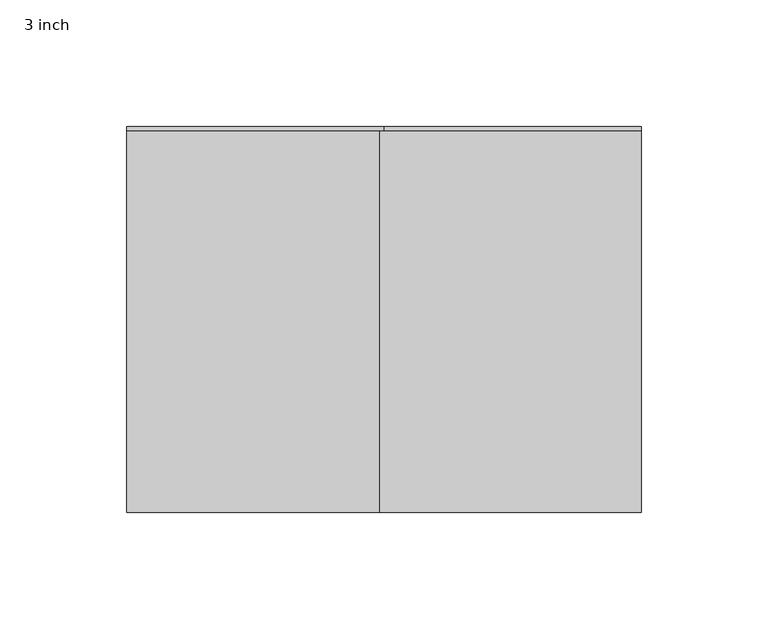
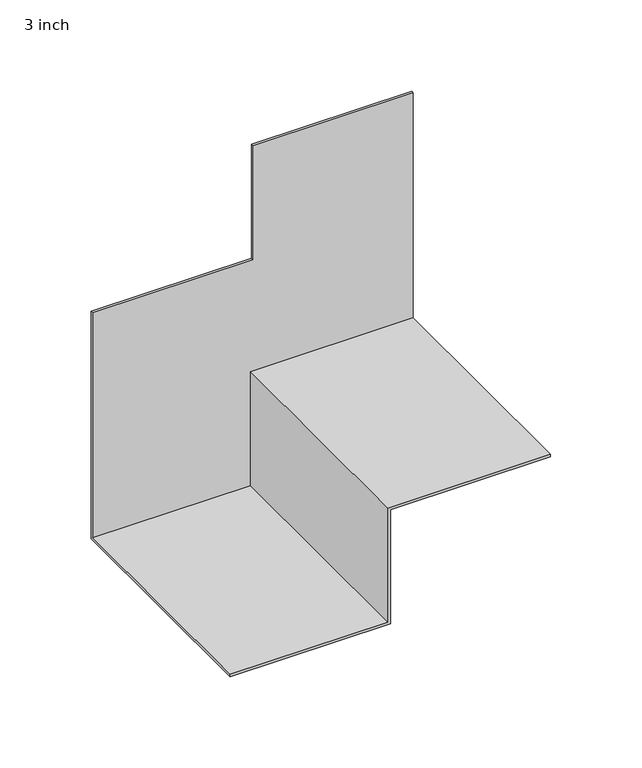
"""IFC4 building model written with IfcOpenShell, lengths in millimetres: proxy geometry, 3 inch."""

from ifc_helpers import new_model, si_unit, origin, place, context, project, spatial, faceted_brep, source, transform, mapped, element, save


def proxy_3_inch_d2068a40(model_context):
    return source(origin(), model_context, "Body", "Brep", [
        faceted_brep([(0.0, -152.4, 0.0), (0.0, -152.4, 76.2), (101.6, -152.4, 76.2), (101.6, -152.4, 77.7875), (-1.5875, -152.4, 77.7875), (-1.5875, -152.4, 1.5875), (-101.6, -152.4, 1.5875), (-101.6, -152.4, 0.0), (0.0, 0.0, 0.0), (-101.6, 0.0, 0.0), (-101.6, 0.0, 152.4), (0.0, 0.0, 152.4), (0.0, 0.0, 228.6), (101.6, 0.0, 228.6), (101.6, 0.0, 76.2), (0.0, 0.0, 76.2), (0.0, -1.5875, 0.0), (0.0, -1.5875, 76.2), (101.6, -1.5875, 228.6), (101.6, -1.5875, 77.7875), (-1.5875, -1.5875, 77.7875), (-1.5875, -1.5875, 1.5875), (-101.6, -1.5875, 1.5875), (-101.6, -1.5875, 152.4), (0.0, -1.5875, 228.6), (0.0, -1.5875, 152.4)], [[[0, 1, 2, 3, 4, 5, 6, 7]], [[8, 9, 10, 11, 12, 13, 14, 15]], [[1, 0, 16, 8, 15, 17]], [[14, 2, 1, 17, 15]], [[3, 2, 14, 13, 18, 19]], [[4, 3, 19, 20]], [[5, 4, 20, 21]], [[6, 5, 21, 22]], [[7, 6, 22, 23, 10, 9]], [[0, 7, 9, 8, 16]], [[18, 24, 25, 23, 22, 21, 20, 19]], [[24, 18, 13, 12]], [[25, 24, 12, 11]], [[23, 25, 11, 10]]]),
    ])


if __name__ == "__main__":
    model = new_model("IFC4")
    model_context = context("Model", 3, world=origin())
    ifc_project = project(units=[si_unit("LENGTHUNIT", "METRE", prefix="MILLI")], contexts=[model_context])
    site = spatial("IfcSite", under=ifc_project)
    building = spatial("IfcBuilding", under=site)
    placement = place(None, origin())
    proxy_3_inch_shape = proxy_3_inch_d2068a40(model_context)
    element("IfcBuildingElementProxy", 1, Name="3 inch", ObjectType="3 inch", at=placement, inside=building, context=model_context, shape_type="MappedRepresentation", body=[
        mapped(proxy_3_inch_shape, transform((0.0, 0.0, 0.0), x_axis=(1.0, 0.0, 0.0), y_axis=(0.0, 1.0, 0.0), z_axis=(0.0, 0.0, 1.0))),
    ])
    save(model, "model.ifc")
